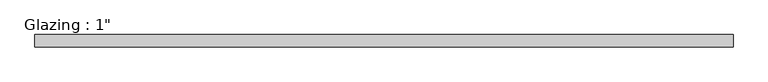
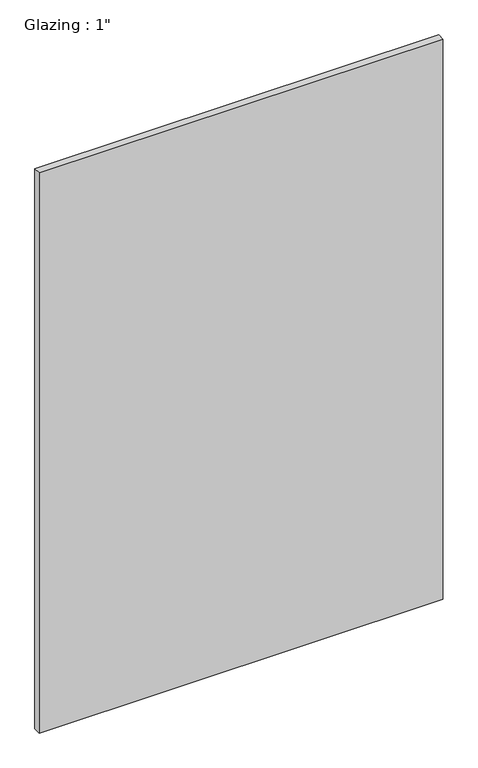
"""IFC4 building model written with IfcOpenShell, lengths in millimetres: plate geometry."""

from ifc_helpers import new_model, si_unit, origin, origin_with_axes, place, context, project, spatial, polyline, outline, extrude, source, transform, mapped, element, save


def plate_ff21e15e(model_context):
    return source(origin(), model_context, "Body", "SweptSolid", [
        extrude(outline(polyline([(713.8074708, -12.7), (-713.8074708, -12.7), (-713.8074708, 12.7), (713.8074708, 12.7), (713.8074708, -12.7)])), origin_with_axes(), (0.0, 0.0, 1.0), 2094.5427636),
    ])


if __name__ == "__main__":
    model = new_model("IFC4")
    model_context = context("Model", 3, world=origin())
    ifc_project = project(units=[si_unit("LENGTHUNIT", "METRE", prefix="MILLI")], contexts=[model_context])
    site = spatial("IfcSite", under=ifc_project)
    building = spatial("IfcBuilding", under=site)
    placement = place(None, origin())
    plate_shape = plate_ff21e15e(model_context)
    element("IfcPlate", 1, ObjectType="Glazing : 1\"", at=placement, inside=building, context=model_context, shape_type="MappedRepresentation", body=[
        mapped(plate_shape, transform((0.0, 0.0, 0.0), x_axis=(1.0, 0.0, 0.0), y_axis=(0.0, 1.0, 0.0), z_axis=(0.0, 0.0, 1.0))),
    ])
    save(model, "model.ifc")
